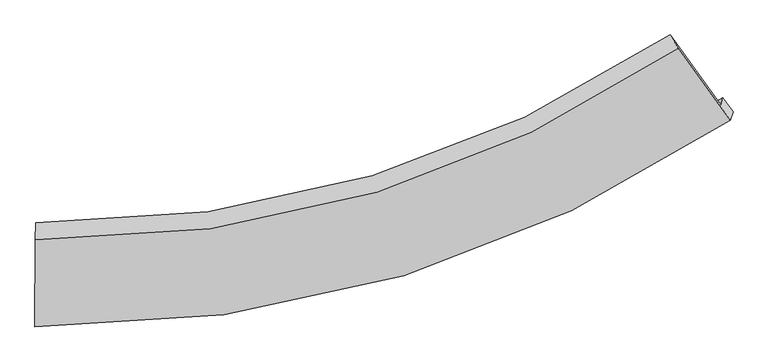
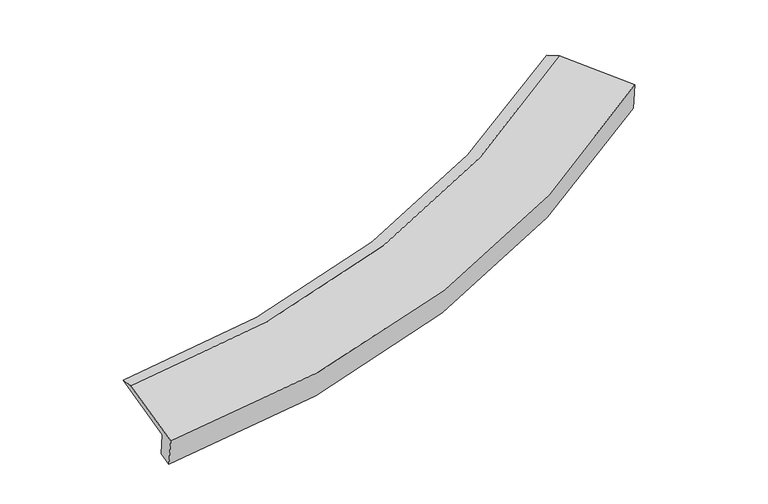
"""IFC4 building model written with IfcOpenShell, lengths in millimetres: proxy geometry."""

import ifcopenshell
import ifcopenshell.guid

model = None  # the IFC model being written
_history = None  # IfcOwnerHistory: only IFC2X3 demands one
_inside = {}  # id of a spatial element -> (the spatial element, [elements in it])
_under = {}  # id of a project, library or spatial element -> (it, [spatial elements below it])
_declared = {}  # id of a project -> (the project, [libraries it declares])
_typed = {}  # id of a type object -> (the type object, [elements of that type])
_made_of = {}  # id of a material, layer set ... -> (it, [elements and type objects made of it])


def new_model(schema):
    """Start an empty IFC model of exactly this schema.

    Asked for "IFC4X3", IfcOpenShell would pick the latest addendum, in which some entities
    have other attributes; the version numbers below select the first issue.
    IFC2X3 requires an IfcOwnerHistory on every rooted entity: one is made here for all.
    """
    global model, _history
    if schema == "IFC4X3":
        model = ifcopenshell.file(schema_version=(4, 3, 0, 0))
    else:
        model = ifcopenshell.file(schema=schema)
    _inside.clear()
    _under.clear()
    _declared.clear()
    _typed.clear()
    _made_of.clear()
    _history = None
    if model.schema == "IFC2X3":
        org = make("IfcOrganization", Name="unknown")
        user = make(
            "IfcPersonAndOrganization",
            ThePerson=make("IfcPerson", FamilyName="unknown"),
            TheOrganization=org,
        )
        app = make(
            "IfcApplication",
            ApplicationDeveloper=org,
            Version="unknown",
            ApplicationFullName="unknown",
            ApplicationIdentifier="unknown",
        )
        _history = make(
            "IfcOwnerHistory",
            OwningUser=user,
            OwningApplication=app,
            ChangeAction="ADDED",
            CreationDate=0,
        )
    return model


def make(cls, **values):
    """One entity of the class cls with the attributes given. An attribute that is None is left unset."""
    return model.create_entity(
        cls, **{name: value for name, value in values.items() if value is not None}
    )


def rooted(cls, **values):
    """An entity with a GlobalId (a new one), such as an element, a storey or a relation."""
    return make(cls, GlobalId=ifcopenshell.guid.new(), OwnerHistory=_history, **values)


def si_unit(unit_type, name, prefix=None):
    """IfcSIUnit, for example si_unit("LENGTHUNIT", "METRE", prefix="MILLI")."""
    return make("IfcSIUnit", UnitType=unit_type, Prefix=prefix, Name=name)


def assignment(units):
    """IfcUnitAssignment: the units of a project."""
    return None if units is None else make("IfcUnitAssignment", Units=units)


def point(xyz):
    """IfcCartesianPoint."""
    return None if xyz is None else make("IfcCartesianPoint", Coordinates=xyz)


def direction(xyz):
    """IfcDirection."""
    return None if xyz is None else make("IfcDirection", DirectionRatios=xyz)


def frame(location, z_axis=None, x_axis=None):
    """IfcAxis2Placement3D, a coordinate frame: its origin and axes. An axis left out is left unset."""
    return make(
        "IfcAxis2Placement3D",
        Location=point(location),
        Axis=direction(z_axis),
        RefDirection=direction(x_axis),
    )


def origin():
    """The frame at (0, 0, 0) with its axes left unset."""
    return frame((0.0, 0.0, 0.0))


def place(relative_to, where):
    """IfcLocalPlacement: puts the frame where relative to a parent placement (None: the world)."""
    return make(
        "IfcLocalPlacement", PlacementRelTo=relative_to, RelativePlacement=where
    )


def context(
    kind, dimensions, precision=None, world=None, true_north=None, identifier=None
):
    """IfcGeometricRepresentationContext, for example the 3D "Model" context."""
    return make(
        "IfcGeometricRepresentationContext",
        ContextIdentifier=identifier,
        ContextType=kind,
        CoordinateSpaceDimension=dimensions,
        Precision=precision,
        WorldCoordinateSystem=world,
        TrueNorth=true_north,
    )


def project(units=None, contexts=None):
    """IfcProject with its units and contexts."""
    return rooted(
        "IfcProject",
        Name="project",
        RepresentationContexts=contexts,
        UnitsInContext=assignment(units),
    )


def spatial(cls, under=None, at=None, **own):
    """A site, building, storey or space (cls), placed at a placement, below another one or the project."""
    s = rooted(cls, ObjectPlacement=at, **own)
    if under is not None:
        _under.setdefault(under.id(), (under, []))[1].append(s)
    return s


def shape(context_of_items, identifier, shape_type, items):
    """IfcShapeRepresentation: the items that make up one representation, for example the "Body"."""
    return make(
        "IfcShapeRepresentation",
        ContextOfItems=context_of_items,
        RepresentationIdentifier=identifier,
        RepresentationType=shape_type,
        Items=items,
    )


def source(mapping_origin, context_of_items, identifier, shape_type, items):
    """IfcRepresentationMap: a shape defined once, which mapped items show again and again."""
    return make(
        "IfcRepresentationMap",
        MappingOrigin=mapping_origin,
        MappedRepresentation=shape(context_of_items, identifier, shape_type, items),
    )


def transform(
    local_origin,
    x_axis=None,
    y_axis=None,
    z_axis=None,
    scale=None,
    scale2=None,
    scale3=None,
    uniform=True,
):
    """IfcCartesianTransformationOperator3D, or its non-uniform kind. x_axis, y_axis, z_axis: its Axis1, 2, 3."""
    if uniform:
        return make(
            "IfcCartesianTransformationOperator3D",
            Axis1=direction(x_axis),
            Axis2=direction(y_axis),
            LocalOrigin=point(local_origin),
            Scale=scale,
            Axis3=direction(z_axis),
        )
    return make(
        "IfcCartesianTransformationOperator3DnonUniform",
        Axis1=direction(x_axis),
        Axis2=direction(y_axis),
        LocalOrigin=point(local_origin),
        Scale=scale,
        Axis3=direction(z_axis),
        Scale2=scale2,
        Scale3=scale3,
    )


def mapped(mapping_source, mapping_target):
    """IfcMappedItem: shows the shape of a source again, moved by a transform."""
    return make(
        "IfcMappedItem", MappingSource=mapping_source, MappingTarget=mapping_target
    )


def made_of(thing, what):
    """Note that an element or type object is made of a material, layer set ...; save() writes the relation."""
    if what is not None:
        _made_of.setdefault(what.id(), (what, []))[1].append(thing)
    return thing


def element(
    cls,
    number,
    at=None,
    inside=None,
    cuts=None,
    type_object=None,
    material=None,
    context=None,
    identifier="Body",
    shape_type=None,
    held_by="IfcProductDefinitionShape",
    body=None,
    shapes=None,
    **own,
):
    """One element of the class cls, such as IfcWall. Its Tag is "e" and its number.

    at: its placement. inside: the storey or other place that contains it. cuts: it is an
    opening in that element (IfcRelVoidsElement). A single representation is given by context,
    identifier, shape_type and body (its items); several are given by shapes. held_by: the class
    of the entity that holds the representations. save() writes the other relations.
    """
    e = rooted(cls, Tag="e%d" % number, ObjectPlacement=at, **own)
    if body is not None:
        shapes = [shape(context, identifier, shape_type, body)]
    if shapes is not None:
        e.Representation = make(held_by, Representations=shapes)
    if inside is not None:
        _inside.setdefault(inside.id(), (inside, []))[1].append(e)
    if cuts is not None:
        rooted(
            "IfcRelVoidsElement", RelatingBuildingElement=cuts, RelatedOpeningElement=e
        )
    if type_object is not None:
        _typed.setdefault(type_object.id(), (type_object, []))[1].append(e)
    return made_of(e, material)


def aggregate(whole, parts):
    """IfcRelAggregates: a whole, such as a stair, and the parts it consists of."""
    return rooted("IfcRelAggregates", RelatingObject=whole, RelatedObjects=parts)


def save(model, path):
    """Write the relations noted so far, then the file.

    IfcRelAggregates (storeys below a building ...), IfcRelContainedInSpatialStructure (elements
    in a storey), IfcRelDefinesByType, IfcRelAssociatesMaterial and IfcRelDeclares: one each for
    every whole, place, type object, material and project.
    """
    for whole, parts in _under.values():
        aggregate(whole, parts)
    for where, things in _inside.values():
        rooted(
            "IfcRelContainedInSpatialStructure",
            RelatedElements=things,
            RelatingStructure=where,
        )
    for kind, things in _typed.values():
        rooted("IfcRelDefinesByType", RelatedObjects=things, RelatingType=kind)
    for what, things in _made_of.values():
        rooted("IfcRelAssociatesMaterial", RelatedObjects=things, RelatingMaterial=what)
    for by, libraries in _declared.values():
        rooted("IfcRelDeclares", RelatingContext=by, RelatedDefinitions=libraries)
    model.write(path)


def plane_surface(at):
    """IfcPlane: the flat surface through the origin of the frame at, square to its z axis."""
    return make("IfcPlane", Position=at)


def spline_curve(degree, points, multiplicities, knots, weights=None):
    """IfcBSplineCurveWithKnots; with weights, IfcRationalBSplineCurveWithKnots."""
    own = dict(
        Degree=degree,
        ControlPointsList=[point(p) for p in points],
        CurveForm="UNSPECIFIED",
        ClosedCurve=False,
        SelfIntersect=False,
        KnotMultiplicities=multiplicities,
        Knots=knots,
        KnotSpec="UNSPECIFIED",
    )
    if weights is None:
        return make("IfcBSplineCurveWithKnots", **own)
    return make("IfcRationalBSplineCurveWithKnots", WeightsData=weights, **own)


def spline_surface(u_degree, v_degree, points, u_multiplicities, v_multiplicities, u_knots, v_knots, weights=None):
    """IfcBSplineSurfaceWithKnots; with weights, IfcRationalBSplineSurfaceWithKnots. points: one row for each step in u."""
    own = dict(
        UDegree=u_degree,
        VDegree=v_degree,
        ControlPointsList=[[point(p) for p in row] for row in points],
        SurfaceForm="UNSPECIFIED",
        UClosed=False,
        VClosed=False,
        SelfIntersect=False,
        UMultiplicities=u_multiplicities,
        VMultiplicities=v_multiplicities,
        UKnots=u_knots,
        VKnots=v_knots,
        KnotSpec="UNSPECIFIED",
    )
    if weights is None:
        return make("IfcBSplineSurfaceWithKnots", **own)
    return make("IfcRationalBSplineSurfaceWithKnots", WeightsData=weights, **own)


def advanced_brep(points, edges, surfaces, faces):
    """IfcAdvancedBrep: a solid bounded by faces that lie on surfaces and meet in shared edges.

    An edge is (start, end): straight between two places in points (the first is 0);
    or (start, end, curve); or (start, end, curve, False) where it runs against its curve.
    A face is (place in surfaces, loops), or (place, loops, False) where it looks against
    its surface's normal. A loop lists edges by number (the first is 1), with a minus sign
    where the edge is run from its end to its start. The first loop is the outer one.
    """
    corners = [point(p) for p in points]
    vertices = [make("IfcVertexPoint", VertexGeometry=c) for c in corners]
    made = []
    for start, end, *more in edges:
        made.append(
            make(
                "IfcEdgeCurve",
                EdgeStart=vertices[start],
                EdgeEnd=vertices[end],
                EdgeGeometry=more[0] if more else make("IfcPolyline", Points=[corners[start], corners[end]]),
                SameSense=more[1] if len(more) > 1 else True,
            )
        )
    hull = []
    for where, loops, *sense in faces:
        bounds = []
        for j, loop in enumerate(loops):
            ring = [make("IfcOrientedEdge", EdgeElement=made[abs(k) - 1], Orientation=k > 0) for k in loop]
            bounds.append(
                make(
                    "IfcFaceOuterBound" if j == 0 else "IfcFaceBound",
                    Bound=make("IfcEdgeLoop", EdgeList=ring),
                    Orientation=True,
                )
            )
        hull.append(make("IfcAdvancedFace", Bounds=bounds, FaceSurface=surfaces[where], SameSense=sense[0] if sense else True))
    return make("IfcAdvancedBrep", Outer=make("IfcClosedShell", CfsFaces=hull))


def generic_models_32d15382(model_context):
    return source(origin(), model_context, "Body", "AdvancedBrep", [
        advanced_brep(
        [(-6307.0163146, -3459.7073689, 653.2257769), (-6346.5541196, -3582.6913684, 1190.0276787), (6279.2997317, 162.5214572, 3002.4216286), (6320.8580916, 291.7904778, 2438.1867984), (-6339.408399, -2016.8218682, 1565.6081963), (5346.9643214, 1448.0842101, 3228.2799071), (-6350.0686659, -2326.1072614, 1625.8038098), (5492.9800757, 1205.6223437, 3315.0627478), (-6359.4557861, -3930.3597609, 1271.0378927), (6456.938514, -123.544231, 3081.5437898), (-6308.6661157, -3772.3763623, 581.4702322), (6507.6575877, 34.2195738, 2392.9346154)],
        [
            (0, 1),
            (1, 2, spline_curve(3, [(-6346.5541196, -3582.6913684, 1190.0276787), (-4002.36304403, -3616.752788436, 1360.358953208), (-1768.182595123, -3314.897302848, 1598.857559226), (2435.898854881, -2052.640844603, 2205.799888051), (4410.336355844, -1106.092055152, 2571.43259848), (6279.2997317, 162.5214572, 3002.4216286)], [4, 2, 4], [0.0, 22.31338932039372, 44.16186743671475])),
            (2, 3),
            (3, 0, spline_curve(3, [(6320.8580916, 291.7904778, 2438.1867984), (4451.194144293, -979.002191563, 2016.70937942), (2476.237816515, -1927.164813151, 1658.12073814), (-1728.524968669, -3191.540593526, 1060.428849952), (-3962.860109651, -3493.877254322, 824.030483514), (-6307.0163146, -3459.7073689, 653.2257769)], [4, 2, 4], [0.0, 21.84847811632103, 44.16186743671475])),
            (1, 4),
            (4, 5, spline_curve(3, [(-6339.408399, -2016.8218682, 1565.6081963), (-4176.240723553, -2027.746993276, 1719.725501876), (-2111.566277554, -1738.298446321, 1937.461534445), (1779.829737016, -570.943264676, 2494.308879138), (3610.612864443, 294.576881418, 2830.796750198), (5346.9643214, 1448.0842101, 3228.2799071)], [4, 2, 4], [0.0, 21.47306713937542, 42.49873162935698])),
            (5, 2),
            (4, 6),
            (6, 7, spline_curve(3, [(-6350.0686659, -2326.1072614, 1625.8038098), (-4151.237274497, -2343.115212831, 1771.584877097), (-2055.586012486, -2050.989569768, 1987.459167113), (1887.842069918, -860.998646337, 2553.435909723), (3739.873721259, 24.118911651, 2900.647932243), (5492.9800757, 1205.6223437, 3315.0627478)], [4, 2, 4], [0.0, 20.7812425019959, 41.129496884840435])),
            (7, 5),
            (6, 8),
            (8, 9, spline_curve(3, [(-6359.4557861, -3930.3597609, 1271.0378927), (-3981.87373352, -3949.970842244, 1422.630830264), (-1714.959108616, -3635.724035626, 1651.698232861), (2552.608739028, -2353.018250788, 2258.395007669), (4557.825548302, -1398.326546753, 2632.829570534), (6456.938514, -123.544231, 3081.5437898)], [4, 2, 4], [0.0, 21.78385777878237, 43.11383742171266])),
            (9, 7),
            (8, 10),
            (10, 11, spline_curve(3, [(-6308.6661157, -3772.3763623, 581.4702322), (-3932.825261942, -3797.403514712, 756.703297489), (-1666.778079028, -3485.854922919, 997.547893517), (2600.802268251, -2203.110258794, 1604.074973069), (4606.862986434, -1245.793539547, 1967.051837845), (6507.6575877, 34.2195738, 2392.9346154)], [4, 2, 4], [0.0, 22.637889216170674, 44.80410610224244])),
            (11, 9),
            (10, 0),
            (3, 11),
        ],
        [
            spline_surface(3, 3, [[(-6307.0163146, -3459.7073689, 653.2257769), (-3962.860109396, -3493.877254276, 824.030483596), (-1728.524968521, -3191.540593385, 1060.428849802), (2476.23781637, -1927.164813289, 1658.120738286), (4451.19414419, -979.00219192, 2016.709379282), (6320.8580916, 291.7904778, 2438.1867984)], [(-6320.195582914, -3500.702035422, 832.159744169), (-3976.027754267, -3534.83576559, 1002.806640217), (-1741.744177337, -3232.659496514, 1239.905086366), (2462.791495787, -1968.990157086, 1840.680454781), (4437.574881441, -1021.365479574, 2201.617118987), (6307.00530495, 248.700804262, 2626.265075129)], [(-6333.374851286, -3541.696701878, 1011.093711431), (-3989.195399195, -3575.794276838, 1181.582796832), (-1754.963386099, -3273.778399641, 1419.38132294), (2449.34517526, -2010.815500882, 2023.240171284), (4423.955618743, -1063.728767213, 2386.524858703), (6293.15251835, 205.611130738, 2814.343351871)], [(-6346.5541196, -3582.6913684, 1190.0276787), (-4002.363044066, -3616.752788151, 1360.358953453), (-1768.182594915, -3314.89730277, 1598.857559504), (2435.898854677, -2052.640844679, 2205.799887778), (4410.336355994, -1106.092054867, 2571.432598408), (6279.2997317, 162.5214572, 3002.4216286)]], [4, 4], [4, 2, 4], [0.0, 1.8322130712162659], [0.0, 22.31338932039372, 44.16186743671475]),
            spline_surface(3, 3, [[(-6346.5541196, -3582.6913684, 1190.0276787), (-4002.363044066, -3616.752788151, 1360.358953453), (-1768.182594915, -3314.89730277, 1598.857559504), (2435.898854677, -2052.640844679, 2205.799887778), (4410.336355994, -1106.092054867, 2571.432598408), (6279.2997317, 162.5214572, 3002.4216286)], [(-6344.172212726, -3060.734868302, 1315.221184564), (-4060.322270669, -3087.084189846, 1480.147802911), (-1882.643822467, -2789.364350647, 1711.725551159), (2217.209148851, -1558.741651351, 2301.969551598), (4143.761858792, -639.20240951, 2657.887315691), (5968.521261599, 591.042374838, 3077.707721443)], [(-6341.790305874, -2538.778368298, 1440.414690436), (-4118.281497293, -2557.415591635, 1599.936652379), (-1997.105050103, -2263.831398476, 1824.593542752), (1998.519442941, -1064.842457973, 2398.139215356), (3877.187361592, -172.312764166, 2744.342032945), (5657.742791501, 1019.563292462, 3152.993814257)], [(-6339.408399, -2016.8218682, 1565.6081963), (-4176.240723897, -2027.74699333, 1719.725501837), (-2111.566277655, -1738.298446353, 1937.461534407), (1779.829737115, -570.943264645, 2494.308879175), (3610.612864389, 294.576881192, 2830.796750227), (5346.9643214, 1448.0842101, 3228.2799071)]], [4, 4], [4, 2, 4], [0.0, 5.37738231151529], [0.0, 21.47306713937542, 42.49873162935698]),
            spline_surface(3, 3, [[(-6339.408399, -2016.8218682, 1565.6081963), (-4176.240723897, -2027.74699333, 1719.725501837), (-2111.566277655, -1738.298446353, 1937.461534407), (1779.829737115, -570.943264645, 2494.308879175), (3610.612864389, 294.576881192, 2830.796750227), (5346.9643214, 1448.0842101, 3228.2799071)], [(-6342.961821323, -2119.916999292, 1585.673400779), (-4167.906240757, -2132.869733166, 1737.011960274), (-2092.906189179, -1842.52882076, 1954.127412037), (1815.833847931, -667.628391952, 2514.017889281), (3653.699816678, 204.424224777, 2854.0804775), (5395.636239497, 1367.26358797, 3257.20752066)], [(-6346.515243577, -2223.012130308, 1605.738605321), (-4159.571757546, -2237.992472925, 1754.298418775), (-2074.246100653, -1946.759195147, 1970.793289693), (1851.837958799, -764.313519239, 2533.726899412), (3696.786768975, 114.271568351, 2877.364204793), (5444.308157603, 1286.44296583, 3286.13513424)], [(-6350.0686659, -2326.1072614, 1625.8038098), (-4151.237274406, -2343.115212761, 1771.584877212), (-2055.586012177, -2050.989569554, 1987.459167323), (1887.842069616, -860.998646547, 2553.435909518), (3739.873721263, 24.118911936, 2900.647932066), (5492.9800757, 1205.6223437, 3315.0627478)]], [4, 4], [4, 2, 4], [0.0, 1.0404361167442375], [0.0, 20.7812425019959, 41.129496884840435]),
            spline_surface(3, 3, [[(-6350.0686659, -2326.1072614, 1625.8038098), (-4151.237274406, -2343.115212761, 1771.584877212), (-2055.586012177, -2050.989569554, 1987.459167323), (1887.842069616, -860.998646547, 2553.435909518), (3739.873721263, 24.118911936, 2900.647932066), (5492.9800757, 1205.6223437, 3315.0627478)], [(-6353.197705945, -2860.858094562, 1507.548504097), (-4094.782760706, -2878.733755874, 1655.266861488), (-1942.043711047, -2579.234391642, 1875.538855786), (2109.430959499, -1358.338514538, 2455.088942268), (4012.524330219, -450.029574322, 2811.375144981), (5814.29955516, 762.566818816, 3237.223095153)], [(-6356.326746055, -3395.608927738, 1389.293198403), (-4038.32824707, -3414.352299, 1538.948845771), (-1828.501409953, -3107.479213769, 1763.618544273), (2331.019849347, -1855.67838257, 2356.741975042), (4285.174939093, -924.178060626, 2722.102357837), (6135.61903454, 319.511293884, 3159.383442447)], [(-6359.4557861, -3930.3597609, 1271.0378927), (-3981.873733371, -3949.970842112, 1422.630830047), (-1714.959108824, -3635.724035857, 1651.698232735), (2552.608739231, -2353.018250562, 2258.395007792), (4557.825548048, -1398.326546884, 2632.829570752), (6456.938514, -123.544231, 3081.5437898)]], [4, 4], [4, 2, 4], [0.0, 5.409519473206278], [0.0, 21.78385777878237, 43.11383742171266]),
            spline_surface(3, 3, [[(-6359.4557861, -3930.3597609, 1271.0378927), (-3981.873733371, -3949.970842112, 1422.630830047), (-1714.959108824, -3635.724035857, 1651.698232735), (2552.608739231, -2353.018250562, 2258.395007792), (4557.825548048, -1398.326546884, 2632.829570752), (6456.938514, -123.544231, 3081.5437898)], [(-6342.525895973, -3877.698628016, 1041.182005892), (-3965.524242806, -3899.115066394, 1200.654985875), (-1698.898765506, -3585.76766477, 1433.6481197), (2568.673248826, -2303.048920096, 2040.288329517), (4574.171360815, -1347.482211112, 2410.903659779), (6473.844871901, -70.95629609, 2852.007398308)], [(-6325.596005827, -3825.037495184, 811.326119008), (-3949.174752221, -3848.259290728, 978.679141626), (-1682.838422147, -3535.811293656, 1215.598006661), (2584.737758461, -2253.079589603, 1822.181651239), (4590.517173578, -1296.637875268, 2188.977748883), (6490.751229799, -18.36836111, 2622.471006892)], [(-6308.6661157, -3772.3763623, 581.4702322), (-3932.825261657, -3797.40351501, 756.703297454), (-1666.778078829, -3485.854922569, 997.547893625), (2600.802268056, -2203.110259137, 1604.074972963), (4606.862986345, -1245.793539496, 1967.05183791), (6507.6575877, 34.2195738, 2392.9346154)]], [4, 4], [4, 2, 4], [0.0, 2.2077277146796126], [0.0, 22.637889216170674, 44.80410610224244]),
            spline_surface(3, 3, [[(-6308.6661157, -3772.3763623, 581.4702322), (-3932.825261657, -3797.40351501, 756.703297454), (-1666.778078829, -3485.854922569, 997.547893625), (2600.802268056, -2203.110259137, 1604.074972963), (4606.862986345, -1245.793539496, 1967.05183791), (6507.6575877, 34.2195738, 2392.9346154)], [(-6308.116182017, -3668.153364506, 605.388747099), (-3942.836877587, -3696.228094771, 779.145692833), (-1687.360375385, -3387.750146155, 1018.508212349), (2559.280784169, -2111.128443835, 1622.090228069), (4554.973372286, -1156.863090299, 1983.604351707), (6445.391088993, 120.076541805, 2408.018676407)], [(-6307.566248283, -3563.930366694, 629.307262001), (-3952.848493466, -3595.052674515, 801.588088216), (-1707.942671966, -3289.645369799, 1039.468531079), (2517.759300257, -2019.146628591, 1640.105483181), (4503.083758249, -1067.932641117, 2000.156865484), (6383.124590307, 205.933509795, 2423.102737393)], [(-6307.0163146, -3459.7073689, 653.2257769), (-3962.860109396, -3493.877254276, 824.030483596), (-1728.524968521, -3191.540593385, 1060.428849802), (2476.23781637, -1927.164813289, 1658.120738286), (4451.19414419, -979.00219192, 2016.709379282), (6320.8580916, 291.7904778, 2438.1867984)]], [4, 4], [4, 2, 4], [0.0, 1.0026356732178527], [0.0, 22.47563349873081, 44.48297535058746]),
            plane_surface(frame((6067.4497204, 503.1156386, 2909.7382478), z_axis=(0.8105727947977681, 0.5550265678111101, 0.18686158876974826), x_axis=(0.07160994048004525, 0.22274572151594166, -0.972242953160776))),
            plane_surface(frame((-6335.1949001, -3181.3439983, 1147.8622645), z_axis=(-0.9974194546644217, 0.021017425899394676, -0.06864910243762162), x_axis=(-0.0051427503703754115, -0.9746499942825146, -0.22367597270096354))),
        ],
        [
            (0, [[1, 2, 3, 4]]),
            (1, [[5, 6, 7, -2]]),
            (2, [[8, 9, 10, -6]]),
            (3, [[11, 12, 13, -9]]),
            (4, [[14, 15, 16, -12]]),
            (5, [[17, -4, 18, -15]]),
            (6, [[-16, -18, -3, -7, -10, -13]]),
            (7, [[-17, -14, -11, -8, -5, -1]]),
        ],
    ),
    ])


if __name__ == "__main__":
    model = new_model("IFC4")
    model_context = context("Model", 3, world=origin())
    ifc_project = project(units=[si_unit("LENGTHUNIT", "METRE", prefix="MILLI")], contexts=[model_context])
    site = spatial("IfcSite", under=ifc_project)
    building = spatial("IfcBuilding", under=site)
    placement = place(None, origin())
    generic_models_shape = generic_models_32d15382(model_context)
    element("IfcBuildingElementProxy", 1, Name="Generic Models", at=placement, inside=building, context=model_context, shape_type="MappedRepresentation", body=[
        mapped(generic_models_shape, transform((0.0, 0.0, 0.0), x_axis=(1.0, 0.0, 0.0), y_axis=(0.0, 1.0, 0.0), z_axis=(0.0, 0.0, 1.0))),
    ])
    save(model, "model.ifc")
